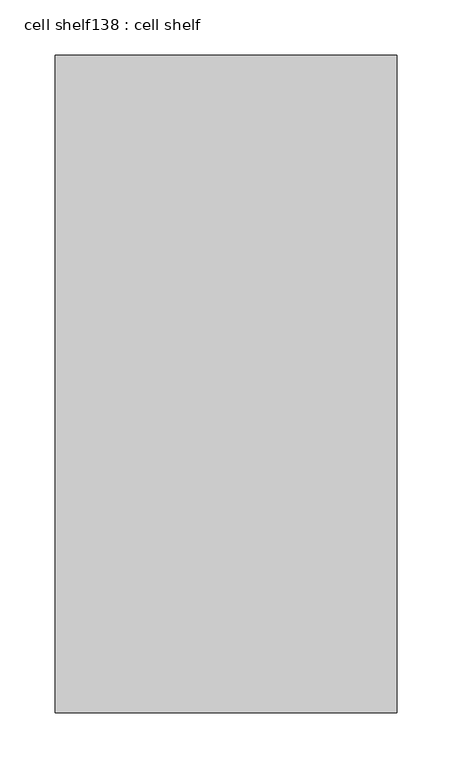
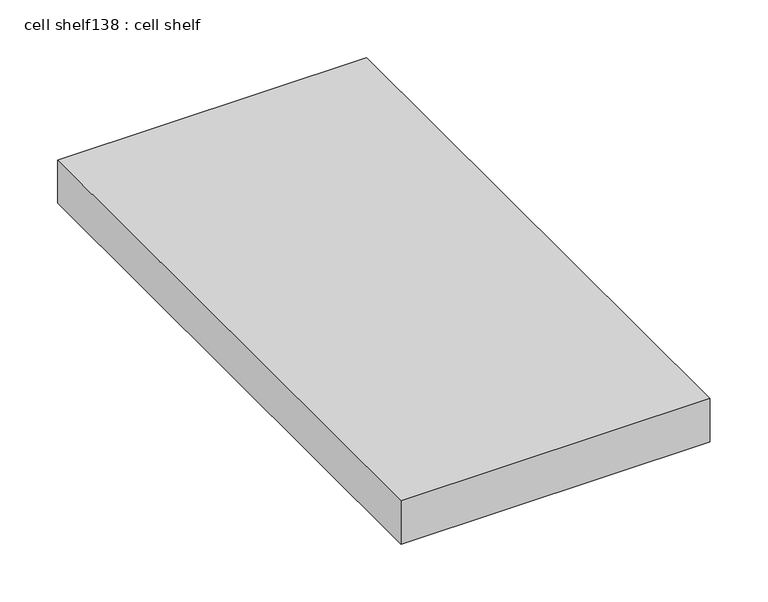
"""IFC4 building model written with IfcOpenShell, lengths in millimetres: proxy geometry, cell shelf138 : cell shelf."""

import ifcopenshell
import ifcopenshell.guid

model = None  # the IFC model being written
_history = None  # IfcOwnerHistory: only IFC2X3 demands one
_inside = {}  # id of a spatial element -> (the spatial element, [elements in it])
_under = {}  # id of a project, library or spatial element -> (it, [spatial elements below it])
_declared = {}  # id of a project -> (the project, [libraries it declares])
_typed = {}  # id of a type object -> (the type object, [elements of that type])
_made_of = {}  # id of a material, layer set ... -> (it, [elements and type objects made of it])


def new_model(schema):
    """Start an empty IFC model of exactly this schema.

    Asked for "IFC4X3", IfcOpenShell would pick the latest addendum, in which some entities
    have other attributes; the version numbers below select the first issue.
    IFC2X3 requires an IfcOwnerHistory on every rooted entity: one is made here for all.
    """
    global model, _history
    if schema == "IFC4X3":
        model = ifcopenshell.file(schema_version=(4, 3, 0, 0))
    else:
        model = ifcopenshell.file(schema=schema)
    _inside.clear()
    _under.clear()
    _declared.clear()
    _typed.clear()
    _made_of.clear()
    _history = None
    if model.schema == "IFC2X3":
        org = make("IfcOrganization", Name="unknown")
        user = make(
            "IfcPersonAndOrganization",
            ThePerson=make("IfcPerson", FamilyName="unknown"),
            TheOrganization=org,
        )
        app = make(
            "IfcApplication",
            ApplicationDeveloper=org,
            Version="unknown",
            ApplicationFullName="unknown",
            ApplicationIdentifier="unknown",
        )
        _history = make(
            "IfcOwnerHistory",
            OwningUser=user,
            OwningApplication=app,
            ChangeAction="ADDED",
            CreationDate=0,
        )
    return model


def make(cls, **values):
    """One entity of the class cls with the attributes given. An attribute that is None is left unset."""
    return model.create_entity(
        cls, **{name: value for name, value in values.items() if value is not None}
    )


def rooted(cls, **values):
    """An entity with a GlobalId (a new one), such as an element, a storey or a relation."""
    return make(cls, GlobalId=ifcopenshell.guid.new(), OwnerHistory=_history, **values)


def si_unit(unit_type, name, prefix=None):
    """IfcSIUnit, for example si_unit("LENGTHUNIT", "METRE", prefix="MILLI")."""
    return make("IfcSIUnit", UnitType=unit_type, Prefix=prefix, Name=name)


def assignment(units):
    """IfcUnitAssignment: the units of a project."""
    return None if units is None else make("IfcUnitAssignment", Units=units)


def point(xyz):
    """IfcCartesianPoint."""
    return None if xyz is None else make("IfcCartesianPoint", Coordinates=xyz)


def direction(xyz):
    """IfcDirection."""
    return None if xyz is None else make("IfcDirection", DirectionRatios=xyz)


def frame(location, z_axis=None, x_axis=None):
    """IfcAxis2Placement3D, a coordinate frame: its origin and axes. An axis left out is left unset."""
    return make(
        "IfcAxis2Placement3D",
        Location=point(location),
        Axis=direction(z_axis),
        RefDirection=direction(x_axis),
    )


def origin():
    """The frame at (0, 0, 0) with its axes left unset."""
    return frame((0.0, 0.0, 0.0))


def place(relative_to, where):
    """IfcLocalPlacement: puts the frame where relative to a parent placement (None: the world)."""
    return make(
        "IfcLocalPlacement", PlacementRelTo=relative_to, RelativePlacement=where
    )


def context(
    kind, dimensions, precision=None, world=None, true_north=None, identifier=None
):
    """IfcGeometricRepresentationContext, for example the 3D "Model" context."""
    return make(
        "IfcGeometricRepresentationContext",
        ContextIdentifier=identifier,
        ContextType=kind,
        CoordinateSpaceDimension=dimensions,
        Precision=precision,
        WorldCoordinateSystem=world,
        TrueNorth=true_north,
    )


def project(units=None, contexts=None):
    """IfcProject with its units and contexts."""
    return rooted(
        "IfcProject",
        Name="project",
        RepresentationContexts=contexts,
        UnitsInContext=assignment(units),
    )


def spatial(cls, under=None, at=None, **own):
    """A site, building, storey or space (cls), placed at a placement, below another one or the project."""
    s = rooted(cls, ObjectPlacement=at, **own)
    if under is not None:
        _under.setdefault(under.id(), (under, []))[1].append(s)
    return s


def polyline(points):
    """IfcPolyline through the points."""
    return make("IfcPolyline", Points=[point(p) for p in points])


def outline(outer, holes=None, kind="AREA"):
    """IfcArbitraryClosedProfileDef: a profile drawn as a closed curve; with holes, ...WithVoids."""
    if holes is None:
        return make("IfcArbitraryClosedProfileDef", ProfileType=kind, OuterCurve=outer)
    return make(
        "IfcArbitraryProfileDefWithVoids",
        ProfileType=kind,
        OuterCurve=outer,
        InnerCurves=holes,
    )


def extrude(swept, where, along, depth):
    """IfcExtrudedAreaSolid: the profile swept, set in the frame where, extruded along a direction by depth."""
    return make(
        "IfcExtrudedAreaSolid",
        SweptArea=swept,
        Position=where,
        ExtrudedDirection=direction(along),
        Depth=depth,
    )


def shape(context_of_items, identifier, shape_type, items):
    """IfcShapeRepresentation: the items that make up one representation, for example the "Body"."""
    return make(
        "IfcShapeRepresentation",
        ContextOfItems=context_of_items,
        RepresentationIdentifier=identifier,
        RepresentationType=shape_type,
        Items=items,
    )


def source(mapping_origin, context_of_items, identifier, shape_type, items):
    """IfcRepresentationMap: a shape defined once, which mapped items show again and again."""
    return make(
        "IfcRepresentationMap",
        MappingOrigin=mapping_origin,
        MappedRepresentation=shape(context_of_items, identifier, shape_type, items),
    )


def transform(
    local_origin,
    x_axis=None,
    y_axis=None,
    z_axis=None,
    scale=None,
    scale2=None,
    scale3=None,
    uniform=True,
):
    """IfcCartesianTransformationOperator3D, or its non-uniform kind. x_axis, y_axis, z_axis: its Axis1, 2, 3."""
    if uniform:
        return make(
            "IfcCartesianTransformationOperator3D",
            Axis1=direction(x_axis),
            Axis2=direction(y_axis),
            LocalOrigin=point(local_origin),
            Scale=scale,
            Axis3=direction(z_axis),
        )
    return make(
        "IfcCartesianTransformationOperator3DnonUniform",
        Axis1=direction(x_axis),
        Axis2=direction(y_axis),
        LocalOrigin=point(local_origin),
        Scale=scale,
        Axis3=direction(z_axis),
        Scale2=scale2,
        Scale3=scale3,
    )


def mapped(mapping_source, mapping_target):
    """IfcMappedItem: shows the shape of a source again, moved by a transform."""
    return make(
        "IfcMappedItem", MappingSource=mapping_source, MappingTarget=mapping_target
    )


def made_of(thing, what):
    """Note that an element or type object is made of a material, layer set ...; save() writes the relation."""
    if what is not None:
        _made_of.setdefault(what.id(), (what, []))[1].append(thing)
    return thing


def element(
    cls,
    number,
    at=None,
    inside=None,
    cuts=None,
    type_object=None,
    material=None,
    context=None,
    identifier="Body",
    shape_type=None,
    held_by="IfcProductDefinitionShape",
    body=None,
    shapes=None,
    **own,
):
    """One element of the class cls, such as IfcWall. Its Tag is "e" and its number.

    at: its placement. inside: the storey or other place that contains it. cuts: it is an
    opening in that element (IfcRelVoidsElement). A single representation is given by context,
    identifier, shape_type and body (its items); several are given by shapes. held_by: the class
    of the entity that holds the representations. save() writes the other relations.
    """
    e = rooted(cls, Tag="e%d" % number, ObjectPlacement=at, **own)
    if body is not None:
        shapes = [shape(context, identifier, shape_type, body)]
    if shapes is not None:
        e.Representation = make(held_by, Representations=shapes)
    if inside is not None:
        _inside.setdefault(inside.id(), (inside, []))[1].append(e)
    if cuts is not None:
        rooted(
            "IfcRelVoidsElement", RelatingBuildingElement=cuts, RelatedOpeningElement=e
        )
    if type_object is not None:
        _typed.setdefault(type_object.id(), (type_object, []))[1].append(e)
    return made_of(e, material)


def aggregate(whole, parts):
    """IfcRelAggregates: a whole, such as a stair, and the parts it consists of."""
    return rooted("IfcRelAggregates", RelatingObject=whole, RelatedObjects=parts)


def save(model, path):
    """Write the relations noted so far, then the file.

    IfcRelAggregates (storeys below a building ...), IfcRelContainedInSpatialStructure (elements
    in a storey), IfcRelDefinesByType, IfcRelAssociatesMaterial and IfcRelDeclares: one each for
    every whole, place, type object, material and project.
    """
    for whole, parts in _under.values():
        aggregate(whole, parts)
    for where, things in _inside.values():
        rooted(
            "IfcRelContainedInSpatialStructure",
            RelatedElements=things,
            RelatingStructure=where,
        )
    for kind, things in _typed.values():
        rooted("IfcRelDefinesByType", RelatedObjects=things, RelatingType=kind)
    for what, things in _made_of.values():
        rooted("IfcRelAssociatesMaterial", RelatedObjects=things, RelatingMaterial=what)
    for by, libraries in _declared.values():
        rooted("IfcRelDeclares", RelatingContext=by, RelatedDefinitions=libraries)
    model.write(path)


def cell_shelf138_cell_shelf_0a833dc6(model_context):
    return source(origin(), model_context, "Body", "SweptSolid", [
        extrude(outline(polyline([(-123054.4407024, -45487.0417641), (-123054.4407024, -44891.9553685), (-122745.0929059, -44891.9553685), (-122745.0929059, -45487.0417641), (-123054.4407024, -45487.0417641)])), frame((0.0, 0.0, 1320.0941517), z_axis=(0.0, 0.0, 1.0), x_axis=(1.0, 0.0, 0.0)), (0.0, 0.0, 1.0), 45.8133004),
    ])


if __name__ == "__main__":
    model = new_model("IFC4")
    model_context = context("Model", 3, world=origin())
    ifc_project = project(units=[si_unit("LENGTHUNIT", "METRE", prefix="MILLI")], contexts=[model_context])
    site = spatial("IfcSite", under=ifc_project)
    building = spatial("IfcBuilding", under=site)
    placement = place(None, origin())
    cell_shelf138_cell_shelf_shape = cell_shelf138_cell_shelf_0a833dc6(model_context)
    element("IfcBuildingElementProxy", 1, Name="cell shelf138 : cell shelf", ObjectType="cell shelf138 : cell shelf", at=placement, inside=building, context=model_context, shape_type="MappedRepresentation", body=[
        mapped(cell_shelf138_cell_shelf_shape, transform((0.0, 0.0, 0.0), x_axis=(1.0, 0.0, 0.0), y_axis=(0.0, 1.0, 0.0), z_axis=(0.0, 0.0, 1.0))),
    ])
    save(model, "model.ifc")
